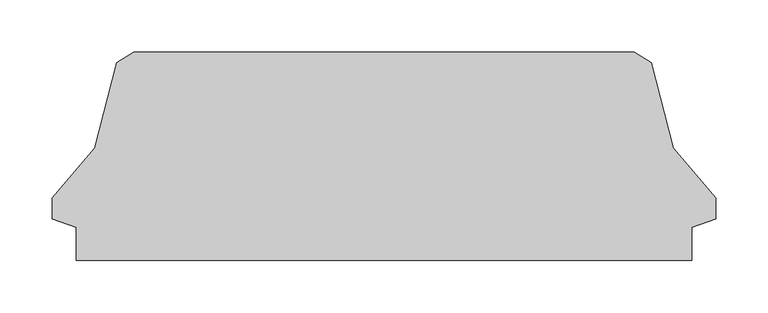
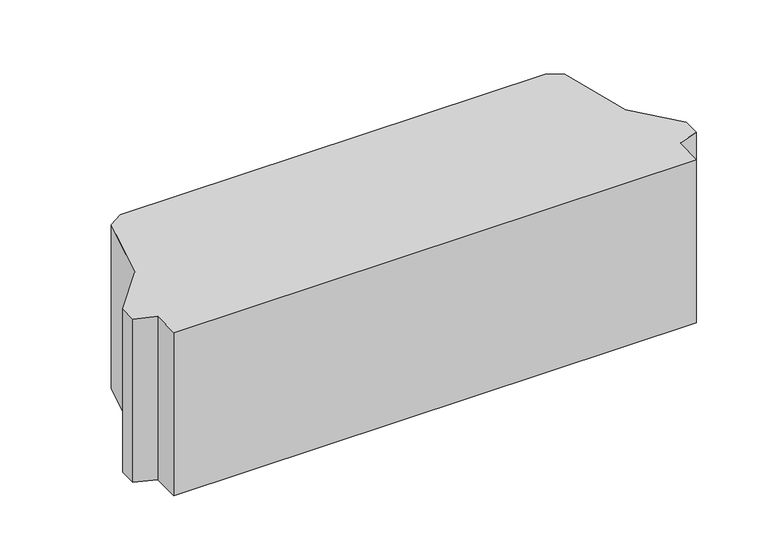
"""IFC4 building model written with IfcOpenShell, lengths in millimetres: proxy geometry."""

from ifc_helpers import new_model, si_unit, origin, origin_with_axes, place, context, project, spatial, polyline, outline, extrude, source, transform, mapped, element, save


def generic_models_493f7628(model_context):
    return source(origin(), model_context, "Body", "SweptSolid", [
        extrude(outline(polyline([(295.0, -68.19375), (295.0, -100.0), (-295.0, -100.0), (-295.0, -68.19375), (-318.0, -60.0), (-318.0, -40.0), (-277.0, 8.0), (-256.0, 90.0), (-240.0, 100.0), (240.0, 100.0), (256.0, 90.0), (277.0, 8.0), (318.0, -40.0), (318.0, -60.0), (295.0, -68.19375)])), origin_with_axes(), (0.0, 0.0, 1.0), 195.0),
    ])


if __name__ == "__main__":
    model = new_model("IFC4")
    model_context = context("Model", 3, world=origin())
    ifc_project = project(units=[si_unit("LENGTHUNIT", "METRE", prefix="MILLI")], contexts=[model_context])
    site = spatial("IfcSite", under=ifc_project)
    building = spatial("IfcBuilding", under=site)
    placement = place(None, origin())
    generic_models_shape = generic_models_493f7628(model_context)
    element("IfcBuildingElementProxy", 1, Name="Generic Models", at=placement, inside=building, context=model_context, shape_type="MappedRepresentation", body=[
        mapped(generic_models_shape, transform((0.0, 0.0, 0.0), x_axis=(1.0, 0.0, 0.0), y_axis=(0.0, 1.0, 0.0), z_axis=(0.0, 0.0, 1.0))),
    ])
    save(model, "model.ifc")
